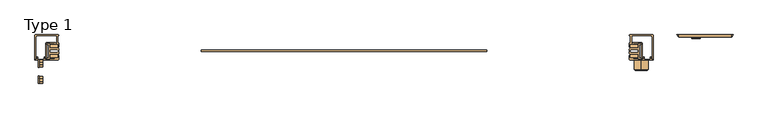
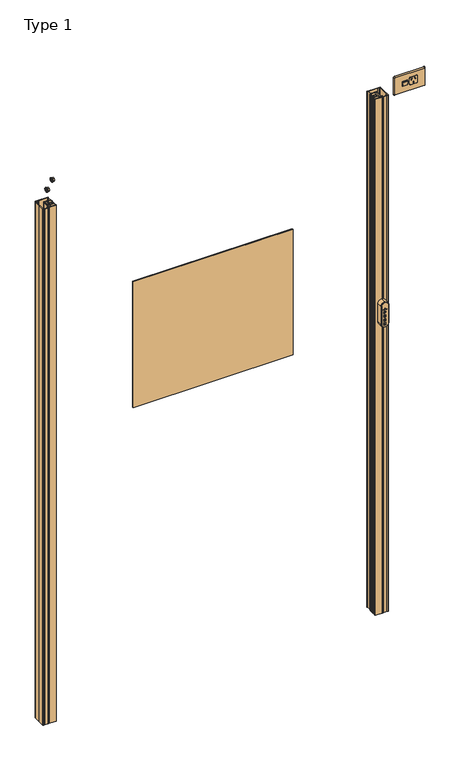
"""IFC4 building model written with IfcOpenShell, lengths in millimetres: door geometry, Type 1."""

from ifc_helpers import new_model, si_unit, point, frame, frame_2d, origin, origin_with_axes, place, context, project, spatial, polyline, circle_curve, trimmed, segment, composite_curve, outline, extrude, faceted_brep, source, transform, mapped, element, save
from ifc_brep_helpers import plane_surface, cylinder_surface, revolved_surface, advanced_brep


def type_1_dab68636(model_context):
    return source(origin(), model_context, "Body", "SolidModel", [
        extrude(outline(polyline([(0.0, 0.0), (0.0, -6.0), (-1.0, -6.0), (-1.0, 0.0), (0.0, 0.0)])), frame((743.3195781, -44.1446942, 2044.9337561), z_axis=(0.0, -0.5000000000000007, 0.8660254037844383), x_axis=(0.0, -0.8660254037844383, -0.5000000000000007)), (0.0, 0.0, 1.0), 1.0),
        advanced_brep(
        [(749.3195781, -37.5, 2046.9736674), (749.3195781, -42.6114642, 2046.9736674), (749.3195781, -45.0, 2045.5946456), (749.3195781, -45.4834179, 2044.5472665), (749.3195781, -42.6114642, 2028.9736674), (749.3195781, -37.5, 2028.9736674), (731.3195781, -37.5, 2046.9736674), (731.3195781, -37.5, 2028.9736674), (731.3195781, -42.6114642, 2028.9736674), (731.3195781, -45.4834179, 2044.5472665), (731.3195781, -45.0, 2045.5946456), (731.3195781, -42.6114642, 2046.9736674), (737.3195781, -43.7786688, 2046.2997815), (743.3195781, -43.7786688, 2046.2997815), (743.3195781, -44.6446942, 2045.7997815), (737.3195781, -44.6446942, 2045.7997815), (737.3195781, -43.2786688, 2045.4337561), (737.3195781, -44.1446942, 2044.9337561), (743.3195781, -44.1446942, 2044.9337561), (743.3195781, -43.2786688, 2045.4337561)],
        [
            (0, 1),
            (1, 2),
            (2, 3, circle_curve(frame((749.3195781, -44.5, 2044.7286202), z_axis=(1.0, 0.0, 0.0), x_axis=(0.0, 1.0, 0.0)), 1.0)),
            (3, 4),
            (4, 5),
            (5, 0),
            (6, 7),
            (7, 8),
            (8, 9),
            (9, 10, circle_curve(frame((731.3195781, -44.5, 2044.7286202), z_axis=(-1.0, 0.0, 0.0), x_axis=(0.0, 1.0, 0.0)), 1.0)),
            (10, 11),
            (11, 6),
            (5, 7),
            (6, 0),
            (4, 8),
            (3, 9),
            (2, 10),
            (1, 11),
            (12, 13),
            (13, 14),
            (14, 15),
            (15, 12),
            (16, 17),
            (17, 18),
            (18, 19),
            (19, 16),
            (19, 13),
            (12, 16),
            (18, 14),
            (17, 15),
        ],
        [
            plane_surface(frame((749.3195781, -37.5, 3503.2366842), z_axis=(1.0, 0.0, 0.0), x_axis=(0.0, 0.0, 1.0))),
            plane_surface(frame((731.3195781, -37.5, 3503.2366842), z_axis=(-1.0, 0.0, 0.0), x_axis=(0.0, 0.0, -1.0))),
            plane_surface(frame((731.3195781, -37.5, 2046.9736674), z_axis=(0.0, 1.0, 0.0), x_axis=(1.0, 0.0, 0.0))),
            plane_surface(frame((731.3195781, -37.5, 2028.9736674), z_axis=(0.0, 0.0, -1.0), x_axis=(1.0, 0.0, 0.0))),
            plane_surface(frame((731.3195781, -42.6114642, 2028.9736674), z_axis=(0.0, -0.9834179240382216, -0.18135376114201404), x_axis=(1.0, 0.0, 0.0))),
            cylinder_surface(frame((749.3195781, -44.5, 2044.7286202), z_axis=(-1.0, 0.0, 0.0), x_axis=(0.0, 1.0, 0.0)), 1.0),
            plane_surface(frame((731.3195781, -45.0, 2045.5946456), z_axis=(0.0, -0.500000000000001, 0.866025403784438), x_axis=(1.0, 0.0, 0.0))),
            plane_surface(frame((731.3195781, -42.6114642, 2046.9736674), z_axis=(0.0, 0.0, 1.0), x_axis=(1.0, 0.0, 0.0))),
            plane_surface(frame((740.3195781, -43.2786688, 2045.4337561), z_axis=(0.0, -0.5000000000000007, 0.8660254037844383), x_axis=(1.0, 0.0, 0.0))),
            plane_surface(frame((737.3195781, -43.2786688, 2045.4337561), z_axis=(0.0, -0.8660254037844384, -0.5000000000000004), x_axis=(0.0, -0.5000000000000004, 0.8660254037844384))),
            plane_surface(frame((743.3195781, -43.2786688, 2045.4337561), z_axis=(-1.0, 0.0, 0.0), x_axis=(0.0, -0.5000000000000009, 0.8660254037844382))),
            plane_surface(frame((743.3195781, -44.1446942, 2044.9337561), z_axis=(0.0, 0.8660254037844384, 0.5000000000000004), x_axis=(0.0, -0.5000000000000004, 0.8660254037844384))),
            plane_surface(frame((737.3195781, -44.1446942, 2044.9337561), z_axis=(1.0, 0.0, 0.0), x_axis=(0.0, -0.5000000000000004, 0.8660254037844384))),
        ],
        [
            (0, [[1, 2, 3, 4, 5, 6]]),
            (1, [[7, 8, 9, 10, 11, 12]]),
            (2, [[-6, 13, -7, 14]]),
            (3, [[-5, 15, -8, -13]]),
            (4, [[-4, 16, -9, -15]]),
            (5, [[-3, 17, -10, -16]]),
            (6, [[-2, 18, -11, -17], [19, 20, 21, 22]]),
            (7, [[-1, -14, -12, -18]]),
            (8, [[23, 24, 25, 26]]),
            (9, [[-26, 27, -19, 28]]),
            (10, [[-25, 29, -20, -27]]),
            (11, [[-24, 30, -21, -29]]),
            (12, [[-23, -28, -22, -30]]),
        ],
    ),
        extrude(outline(composite_curve([segment(polyline([(2053.9130131, 782.3195781), (2053.9130131, 762.3195781)]), True, "CONTINUOUS"), segment(trimmed(circle_curve(frame_2d((2048.9130131, 762.3195781)), 5.0), [point((2053.9130131, 762.3195781))], [point((2048.9130131, 757.3195781))], False, "CARTESIAN"), True, "CONTINUOUS"), segment(polyline([(2048.9130131, 757.3195781), (2028.9130131, 757.3195781)]), True, "CONTINUOUS"), segment(trimmed(circle_curve(frame_2d((2028.9130131, 762.3195781)), 5.0), [point((2028.9130131, 757.3195781))], [point((2023.9130131, 762.3195781))], False, "CARTESIAN"), True, "CONTINUOUS"), segment(polyline([(2023.9130131, 762.3195781), (2023.9130131, 782.3195781)]), True, "CONTINUOUS"), segment(trimmed(circle_curve(frame_2d((2028.9130131, 782.3195781)), 5.0), [point((2023.9130131, 782.3195781))], [point((2028.9130131, 787.3195781))], False, "CARTESIAN"), True, "CONTINUOUS"), segment(polyline([(2028.9130131, 787.3195781), (2048.9130131, 787.3195781)]), True, "CONTINUOUS"), segment(trimmed(circle_curve(frame_2d((2048.9130131, 782.3195781)), 5.0), [point((2048.9130131, 787.3195781))], [point((2053.9130131, 782.3195781))], False, "CARTESIAN"), True, "CONTINUOUS")], self_intersect=False), holes=[polyline([(2042.6380437, 781.298677), (2041.6219753, 779.5760032), (2047.6513337, 776.0197639), (2048.667402, 777.7424377), (2042.6380437, 781.298677)]), polyline([(2042.6380437, 762.4102317), (2048.667402, 765.966471), (2047.6513337, 767.6891448), (2041.6219753, 764.1329055), (2042.6380437, 762.4102317)]), polyline([(2027.3869071, 770.9136378), (2034.3869071, 770.9136378), (2034.3869071, 772.9136378), (2027.3869071, 772.9136378), (2027.3869071, 770.9136378)])]), frame((0.0, -42.5, 0.0), z_axis=(0.0, 1.0, 0.0), x_axis=(0.0, 0.0, 1.0)), (0.0, 0.0, 1.0), 5.0),
        advanced_brep(
        [(813.75, -42.0, 2071.75), (704.25, -42.0, 2071.75), (703.25, -42.0, 2070.75), (703.25, -42.0, 2004.25), (704.25, -42.0, 2003.25), (813.75, -42.0, 2003.25), (814.75, -42.0, 2004.25), (814.75, -42.0, 2070.75), (782.3195781, -42.0, 2053.9130131), (787.3195781, -42.0, 2048.9130131), (787.3195781, -42.0, 2028.9130131), (782.3195781, -42.0, 2023.9130131), (762.3195781, -42.0, 2023.9130131), (757.3195781, -42.0, 2028.9130131), (757.3195781, -42.0, 2048.9130131), (762.3195781, -42.0, 2053.9130131), (749.3195781, -42.0, 2046.9736674), (749.3195781, -42.0, 2028.9736674), (731.3195781, -42.0, 2028.9736674), (731.3195781, -42.0, 2046.9736674), (813.75, -37.5, 2075.0), (818.0, -37.5, 2070.75), (818.0, -37.5, 2004.25), (813.75, -37.5, 2000.0), (704.25, -37.5, 2000.0), (700.0, -37.5, 2004.25), (700.0, -37.5, 2070.75), (704.25, -37.5, 2075.0), (787.3195781, -37.5, 2048.9130131), (782.3195781, -37.5, 2053.9130131), (762.3195781, -37.5, 2053.9130131), (757.3195781, -37.5, 2048.9130131), (757.3195781, -37.5, 2028.9130131), (762.3195781, -37.5, 2023.9130131), (782.3195781, -37.5, 2023.9130131), (787.3195781, -37.5, 2028.9130131), (749.3195781, -37.5, 2028.9736674), (749.3195781, -37.5, 2046.9736674), (731.3195781, -37.5, 2046.9736674), (731.3195781, -37.5, 2028.9736674)],
        [
            (0, 1),
            (1, 2, circle_curve(frame((704.25, -42.0, 2070.75), z_axis=(0.0, -1.0, -1.9711565713147693e-12), x_axis=(0.0, -1.971128016525458e-12, 1.0)), 1.0)),
            (2, 3),
            (3, 4, circle_curve(frame((704.25, -42.0, 2004.25), z_axis=(0.0, -1.0, -1.946716861799183e-12), x_axis=(-1.0, 0.0, 0.0)), 1.0)),
            (4, 5),
            (5, 6, circle_curve(frame((813.75, -42.0, 2004.25), z_axis=(0.0, -1.0, -1.8686977891148123e-12), x_axis=(0.0, 1.8687317559233394e-12, -1.0)), 1.0)),
            (6, 7),
            (7, 0, circle_curve(frame((813.75, -42.0, 2070.75), z_axis=(0.0, -1.0, -1.8903175321478334e-12), x_axis=(1.0, 0.0, 0.0)), 1.0)),
            (8, 9, circle_curve(frame((782.3195781, -42.0, 2048.9130131), z_axis=(0.0, 1.0, 0.0), x_axis=(0.0, 0.0, 1.0)), 5.0)),
            (9, 10),
            (10, 11, circle_curve(frame((782.3195781, -42.0, 2028.9130131), z_axis=(0.0, 1.0, 0.0), x_axis=(0.0, 0.0, 1.0)), 5.0)),
            (11, 12),
            (12, 13, circle_curve(frame((762.3195781, -42.0, 2028.9130131), z_axis=(0.0, 1.0, 0.0), x_axis=(0.0, 0.0, 1.0)), 5.0)),
            (13, 14),
            (14, 15, circle_curve(frame((762.3195781, -42.0, 2048.9130131), z_axis=(0.0, 1.0, 0.0), x_axis=(0.0, 0.0, 1.0)), 5.0)),
            (15, 8),
            (16, 17),
            (17, 18),
            (18, 19),
            (19, 16),
            (20, 21, circle_curve(frame((813.75, -37.5, 2070.75), z_axis=(0.0, 1.0, 1.8903175321478334e-12), x_axis=(1.0, 0.0, 0.0)), 4.25)),
            (21, 22),
            (22, 23, circle_curve(frame((813.75, -37.5, 2004.25), z_axis=(0.0, 1.0, 1.8686977891148123e-12), x_axis=(0.0, 1.8687317559233394e-12, -1.0)), 4.25)),
            (23, 24),
            (24, 25, circle_curve(frame((704.25, -37.5, 2004.25), z_axis=(0.0, 1.0, 1.946716861799183e-12), x_axis=(-1.0, 0.0, 0.0)), 4.25)),
            (25, 26),
            (26, 27, circle_curve(frame((704.25, -37.5, 2070.75), z_axis=(0.0, 1.0, 1.9711565713147693e-12), x_axis=(0.0, -1.971128016525458e-12, 1.0)), 4.25)),
            (27, 20),
            (28, 29, circle_curve(frame((782.3195781, -37.5, 2048.9130131), z_axis=(0.0, -1.0, 0.0), x_axis=(0.0, 0.0, 1.0)), 5.0)),
            (29, 30),
            (30, 31, circle_curve(frame((762.3195781, -37.5, 2048.9130131), z_axis=(0.0, -1.0, 0.0), x_axis=(0.0, 0.0, 1.0)), 5.0)),
            (31, 32),
            (32, 33, circle_curve(frame((762.3195781, -37.5, 2028.9130131), z_axis=(0.0, -1.0, 0.0), x_axis=(0.0, 0.0, 1.0)), 5.0)),
            (33, 34),
            (34, 35, circle_curve(frame((782.3195781, -37.5, 2028.9130131), z_axis=(0.0, -1.0, 0.0), x_axis=(0.0, 0.0, 1.0)), 5.0)),
            (35, 28),
            (36, 37),
            (37, 38),
            (38, 39),
            (39, 36),
            (0, 20),
            (27, 1),
            (26, 2),
            (25, 3),
            (24, 4),
            (23, 5),
            (22, 6),
            (21, 7),
            (28, 9),
            (8, 29),
            (35, 10),
            (34, 11),
            (33, 12),
            (32, 13),
            (31, 14),
            (30, 15),
            (36, 17),
            (16, 37),
            (39, 18),
            (38, 19),
        ],
        [
            plane_surface(frame((759.0, -42.0, 2037.5), z_axis=(0.0, -1.0, 0.0), x_axis=(-1.0, 0.0, 0.0))),
            plane_surface(frame((759.0, -37.5, 2037.5), z_axis=(0.0, 1.0, 0.0), x_axis=(-1.0, 0.0, 0.0))),
            plane_surface(frame((759.0, -37.5, 2075.0), z_axis=(0.0, -0.5854905538480789, 0.8106792283971941), x_axis=(-1.0, 0.0, 0.0))),
            revolved_surface(polyline([(704.25, -42.00000000000197, 2071.750000008495), (704.25, -37.5, 2075.0)]), (704.25, -43.3846154, 2070.75), (0.0, 1.0, 1.9711565713147693e-12)),
            plane_surface(frame((700.0, -37.5, 2037.5), z_axis=(-0.8106792283979467, -0.5854905538470369, 0.0), x_axis=(0.0, 0.0, -1.0))),
            revolved_surface(polyline([(703.2499999915046, -42.00000000000195, 2004.25), (700.0, -37.5, 2004.25)]), (704.25, -43.3846154, 2004.25), (0.0, 1.0, 1.946716861799183e-12)),
            plane_surface(frame((759.0, -37.5, 2000.0), z_axis=(0.0, -0.5854905538460328, -0.8106792283986718), x_axis=(1.0, 0.0, 0.0))),
            revolved_surface(polyline([(813.75, -42.0, 2003.2499999915033), (813.75, -37.499999999992056, 1999.9999999999943)]), (813.75, -43.3846154, 2004.25), (0.0, 1.0, 1.8686977891148123e-12)),
            plane_surface(frame((818.0, -37.5, 2037.5), z_axis=(0.8106792283979293, -0.5854905538470608, 0.0), x_axis=(0.0, 0.0, 1.0))),
            revolved_surface(polyline([(814.7500000084967, -42.0, 2070.75), (818.0000000000058, -37.499999999991964, 2070.75)]), (813.75, -43.3846154, 2070.75), (0.0, 1.0, 1.8903175321478334e-12)),
            revolved_surface(polyline([(782.3195781, -37.5, 2053.9130131), (782.3195781, -42.0, 2053.9130131)]), (782.3195781, -42.0, 2048.9130131), (0.0, 1.0, 0.0)),
            plane_surface(frame((787.3195781, -37.5, 2048.9130131), z_axis=(-1.0, 0.0, 0.0), x_axis=(0.0, -1.0, 0.0))),
            revolved_surface(polyline([(782.3195781, -37.5, 2033.9130131), (782.3195781, -42.0, 2033.9130131)]), (782.3195781, -42.0, 2028.9130131), (0.0, 1.0, 0.0)),
            plane_surface(frame((782.3195781, -37.5, 2023.9130131), z_axis=(0.0, 0.0, 1.0), x_axis=(0.0, -1.0, 0.0))),
            revolved_surface(polyline([(762.3195781, -37.5, 2033.9130131), (762.3195781, -42.0, 2033.9130131)]), (762.3195781, -42.0, 2028.9130131), (0.0, 1.0, 0.0)),
            plane_surface(frame((757.3195781, -37.5, 2028.9130131), z_axis=(1.0, 0.0, 0.0), x_axis=(0.0, -1.0, 0.0))),
            revolved_surface(polyline([(762.3195781, -37.5, 2053.9130131), (762.3195781, -42.0, 2053.9130131)]), (762.3195781, -42.0, 2048.9130131), (0.0, 1.0, 0.0)),
            plane_surface(frame((762.3195781, -37.5, 2053.9130131), z_axis=(0.0, 0.0, -1.0), x_axis=(0.0, -1.0, 0.0))),
            plane_surface(frame((749.3195781, -37.5, 2046.9736674), z_axis=(-1.0, 0.0, 0.0), x_axis=(0.0, -1.0, 0.0))),
            plane_surface(frame((749.3195781, -37.5, 2028.9736674), z_axis=(0.0, 0.0, 1.0), x_axis=(0.0, -1.0, 0.0))),
            plane_surface(frame((731.3195781, -37.5, 2028.9736674), z_axis=(1.0, 0.0, 0.0), x_axis=(0.0, -1.0, 0.0))),
            plane_surface(frame((731.3195781, -37.5, 2046.9736674), z_axis=(0.0, 0.0, -1.0), x_axis=(0.0, -1.0, 0.0))),
        ],
        [
            (0, [[1, 2, 3, 4, 5, 6, 7, 8], [9, 10, 11, 12, 13, 14, 15, 16], [17, 18, 19, 20]]),
            (1, [[21, 22, 23, 24, 25, 26, 27, 28], [29, 30, 31, 32, 33, 34, 35, 36], [37, 38, 39, 40]]),
            (2, [[-1, 41, -28, 42]]),
            (3, [[-2, -42, -27, 43]]),
            (4, [[-3, -43, -26, 44]]),
            (5, [[-4, -44, -25, 45]]),
            (6, [[-5, -45, -24, 46]]),
            (7, [[-6, -46, -23, 47]]),
            (8, [[-7, -47, -22, 48]]),
            (9, [[-8, -48, -21, -41]]),
            (10, [[49, -9, 50, -29]]),
            (11, [[-49, -36, 51, -10]]),
            (12, [[-51, -35, 52, -11]]),
            (13, [[-52, -34, 53, -12]]),
            (14, [[-53, -33, 54, -13]]),
            (15, [[-54, -32, 55, -14]]),
            (16, [[-55, -31, 56, -15]]),
            (17, [[-50, -16, -56, -30]]),
            (18, [[57, -17, 58, -37]]),
            (19, [[-57, -40, 59, -18]]),
            (20, [[-59, -39, 60, -19]]),
            (21, [[-58, -20, -60, -38]]),
        ],
    ),
        extrude(outline(polyline([(-3.3878974, 0.0), (0.0, 0.0), (0.0, 3.3538824), (1.8674254, 3.3538824), (1.8674254, -5.6464956), (0.0, -5.6464956), (0.0, -1.6565321), (-3.3878974, -1.6565321), (-3.3878974, -5.6464956), (-5.2519213, -5.6464956), (-5.2519213, 3.3538824), (-3.3878974, 3.3538824), (-3.3878974, 0.0)])), frame((622.4844847, -112.5, 1165.1344009), z_axis=(4.659192504219422e-12, 1.0, 0.0), x_axis=(-1.0, 4.659192504219422e-12, 0.0)), (0.0, 0.0, 1.0), 2.0),
        extrude(outline(composite_curve([segment(polyline([(1.8674254, 33.5542324), (1.8674254, 27.7877778)]), True, "CONTINUOUS"), segment(trimmed(circle_curve(frame_2d((-1.6563342, 27.7877778)), 3.5237596), [point((1.8674254, 27.7877778))], [point((-5.1800938, 27.7877778))], False, "CARTESIAN"), True, "CONTINUOUS"), segment(polyline([(-5.1800938, 27.7877778), (-5.1800938, 33.5542324), (-3.3699661, 33.5542324), (-3.3699661, 27.751176)]), True, "CONTINUOUS"), segment(trimmed(circle_curve(frame_2d((-1.6663165, 27.751176)), 1.7036496), [point((-3.3699661, 27.751176))], [point((0.037333, 27.751176))], True, "CARTESIAN"), True, "CONTINUOUS"), segment(polyline([(0.037333, 27.751176), (0.037333, 33.5542324), (1.8674254, 33.5542324)]), True, "CONTINUOUS")], self_intersect=False)), frame((622.4844847, -112.5, 1165.1344009), z_axis=(4.659192504219422e-12, 1.0, 0.0), x_axis=(-1.0, 4.659192504219422e-12, 0.0)), (0.0, 0.0, 1.0), 2.0),
        extrude(outline(composite_curve([segment(trimmed(circle_curve(frame_2d((-0.6010115, 16.0817339)), 2.3587315), [point((-0.0509375, 18.375428))], [point((1.7576251, 16.0605735))], False, "CARTESIAN"), True, "CONTINUOUS"), segment(trimmed(circle_curve(frame_2d((-0.3079854, 15.7991431)), 2.0820885), [point((1.7576251, 16.0605735))], [point((0.2933454, 13.8057806))], False, "CARTESIAN"), True, "CONTINUOUS"), segment(polyline([(0.2933454, 13.8057806), (-2.8118226, 12.9737534)]), True, "CONTINUOUS"), segment(trimmed(circle_curve(frame_2d((-2.4180978, 12.0969668)), 0.9611316), [point((-2.8118226, 12.9737534))], [point((-2.5125281, 11.1404853))], True, "CARTESIAN"), True, "CONTINUOUS"), segment(trimmed(circle_curve(frame_2d((-1.7234335, 14.5136786)), 3.4642608), [point((-2.5125281, 11.1404853))], [point((-1.0058389, 11.1245546))], True, "CARTESIAN"), True, "CONTINUOUS"), segment(trimmed(circle_curve(frame_2d((-1.3005785, 12.5165786)), 1.4228851), [point((-1.0058389, 11.1245546))], [point((0.1193205, 12.4244425))], True, "CARTESIAN"), True, "CONTINUOUS"), segment(polyline([(0.1193205, 12.4244425), (1.8674254, 12.4244425)]), True, "CONTINUOUS"), segment(trimmed(circle_curve(frame_2d((-0.5451999, 12.2070209)), 2.4224023), [point((1.8674254, 12.4244425))], [point((0.4410381, 9.9944732))], False, "CARTESIAN"), True, "CONTINUOUS"), segment(trimmed(circle_curve(frame_2d((-1.7208444, 14.844487)), 5.3100255), [point((0.4410381, 9.9944732))], [point((-3.007687, 9.6927488))], False, "CARTESIAN"), True, "CONTINUOUS"), segment(trimmed(circle_curve(frame_2d((-2.4437694, 12.2682183)), 2.6364836), [point((-3.007687, 9.6927488))], [point((-5.0702204, 12.0384336))], False, "CARTESIAN"), True, "CONTINUOUS"), segment(trimmed(circle_curve(frame_2d((-2.6442654, 12.2506772)), 2.4352218), [point((-5.0702204, 12.0384336))], [point((-3.2745471, 14.6029208))], False, "CARTESIAN"), True, "CONTINUOUS"), segment(polyline([(-3.2745471, 14.6029208), (-1.8186854, 14.9930177)]), True, "CONTINUOUS"), segment(trimmed(circle_curve(frame_2d((-3.0982633, 21.390208)), 6.523907), [point((-1.8186854, 14.9930177))], [point((-0.3015503, 15.4961636))], True, "CARTESIAN"), True, "CONTINUOUS"), segment(trimmed(circle_curve(frame_2d((-0.7891329, 16.166371)), 0.8288032), [point((-0.3015503, 15.4961636))], [point((-0.3015503, 16.8365784))], True, "CARTESIAN"), True, "CONTINUOUS"), segment(trimmed(circle_curve(frame_2d((-1.4263385, 14.831388)), 2.2991165), [point((-0.3015503, 16.8365784))], [point((-1.7196185, 17.1117222))], True, "CARTESIAN"), True, "CONTINUOUS"), segment(trimmed(circle_curve(frame_2d((-1.7497909, 15.7390702)), 1.3729835), [point((-1.7196185, 17.1117222))], [point((-3.1197599, 15.8300027))], True, "CARTESIAN"), True, "CONTINUOUS"), segment(polyline([(-3.1197599, 15.8300027), (-4.8206944, 15.8235353)]), True, "CONTINUOUS"), segment(trimmed(circle_curve(frame_2d((-2.1817626, 15.886102)), 2.6396734), [point((-4.8206944, 15.8235353))], [point((-2.5155153, 18.5045911))], False, "CARTESIAN"), True, "CONTINUOUS"), segment(trimmed(circle_curve(frame_2d((-1.6398779, 11.6346928)), 6.9254778), [point((-2.5155153, 18.5045911))], [point((-0.0509375, 18.375428))], False, "CARTESIAN"), True, "CONTINUOUS")], self_intersect=False)), frame((622.4844847, -112.5, 1165.1344009), z_axis=(4.659192504219422e-12, 1.0, 0.0), x_axis=(-1.0, 4.659192504219422e-12, 0.0)), (0.0, 0.0, 1.0), 2.0),
        extrude(outline(composite_curve([segment(polyline([(0.0102045, 39.5301216), (0.0102045, 42.7309363), (-1.972872, 42.7309363)]), True, "CONTINUOUS"), segment(trimmed(circle_curve(frame_2d((-1.972872, 45.6307179)), 2.8997817), [point((-1.972872, 42.7309363))], [point((-1.972872, 48.5304996))], False, "CARTESIAN"), True, "CONTINUOUS"), segment(polyline([(-1.972872, 48.5304996), (0.0102045, 48.5304996), (1.8674254, 48.5304996), (1.8674254, 39.5301216), (0.0102045, 39.5301216)]), True, "CONTINUOUS")], self_intersect=False), holes=[composite_curve([segment(polyline([(0.0102045, 44.3466504), (0.0102045, 46.965808), (-1.6973502, 46.965808)]), True, "CONTINUOUS"), segment(trimmed(circle_curve(frame_2d((-1.6973502, 45.6562292)), 1.3095788), [point((-1.6973502, 46.965808))], [point((-1.6973502, 44.3466504))], True, "CARTESIAN"), True, "CONTINUOUS"), segment(polyline([(-1.6973502, 44.3466504), (0.0102045, 44.3466504)]), True, "CONTINUOUS")], self_intersect=False)]), frame((622.4844847, -112.5, 1165.1344009), z_axis=(4.659192504219422e-12, 1.0, 0.0), x_axis=(-1.0, 4.659192504219422e-12, 0.0)), (0.0, 0.0, 1.0), 2.0),
        extrude(outline(polyline([(632.0, -112.5), (618.0, -112.5), (618.0, -110.5), (632.0, -110.5), (632.0, -112.5)])), frame((0.0, 0.0, 1220.0166537), z_axis=(0.0, 0.0, 1.0), x_axis=(1.0, 0.0, 0.0)), (0.0, 0.0, 1.0), 1.5),
        extrude(outline(polyline([(626.5, -112.5), (623.5, -112.5), (623.5, -110.5), (626.5, -110.5), (626.5, -112.5)])), frame((0.0, 0.0, 1222.7486881), z_axis=(0.0, 0.0, 1.0), x_axis=(1.0, 0.0, 0.0)), (0.0, 0.0, 1.0), 3.0),
        extrude(outline(composite_curve([segment(trimmed(circle_curve(frame_2d((0.0, -13.0)), 13.0), [point((-13.0, -13.0))], [point((0.0, 0.0))], False, "CARTESIAN"), True, "CONTINUOUS"), segment(polyline([(0.0, 0.0), (70.0, 0.0)]), True, "CONTINUOUS"), segment(trimmed(circle_curve(frame_2d((70.0, -13.0)), 13.0), [point((70.0, 0.0))], [point((83.0, -13.0))], False, "CARTESIAN"), True, "CONTINUOUS"), segment(trimmed(circle_curve(frame_2d((70.0, -13.0)), 13.0), [point((83.0, -13.0))], [point((70.0, -26.0))], False, "CARTESIAN"), True, "CONTINUOUS"), segment(polyline([(70.0, -26.0), (0.0, -26.0)]), True, "CONTINUOUS"), segment(trimmed(circle_curve(frame_2d((0.0, -13.0)), 13.0), [point((0.0, -26.0))], [point((-13.0, -13.0))], False, "CARTESIAN"), True, "CONTINUOUS")], self_intersect=False), holes=[composite_curve([segment(polyline([(27.1346628, -12.4573567), (27.1346628, -10.4742802), (30.3354775, -10.4742802), (30.3354775, -8.6170593), (21.3350995, -8.6170593), (21.3350995, -10.4742802), (21.3350995, -12.4573567)]), True, "CONTINUOUS"), segment(trimmed(circle_curve(frame_2d((24.2348812, -12.4573567)), 2.8997817), [point((21.3350995, -12.4573567))], [point((27.1346628, -12.4573567))], True, "CARTESIAN"), True, "CONTINUOUS")], self_intersect=False), composite_curve([segment(polyline([(36.3113667, -8.6170593), (36.3113667, -10.4471517), (42.1144231, -10.4471517)]), True, "CONTINUOUS"), segment(trimmed(circle_curve(frame_2d((42.1144231, -12.1508012)), 1.7036496), [point((42.1144231, -10.4471517))], [point((42.1144231, -13.8544508))], False, "CARTESIAN"), True, "CONTINUOUS"), segment(polyline([(42.1144231, -13.8544508), (36.3113667, -13.8544508), (36.3113667, -15.6645785), (42.0778213, -15.6645785)]), True, "CONTINUOUS"), segment(trimmed(circle_curve(frame_2d((42.0778213, -12.1408189)), 3.5237596), [point((42.0778213, -15.6645785))], [point((42.0778213, -8.6170593))], True, "CARTESIAN"), True, "CONTINUOUS"), segment(polyline([(42.0778213, -8.6170593), (36.3113667, -8.6170593)]), True, "CONTINUOUS")], self_intersect=False), polyline([(75.5120947, -8.6170593), (66.5117167, -8.6170593), (66.5117167, -10.4844847), (69.8655991, -10.4844847), (69.8655991, -13.8723821), (66.5117167, -13.8723821), (66.5117167, -15.736406), (75.5120947, -15.736406), (75.5120947, -13.8723821), (71.5221312, -13.8723821), (71.5221312, -10.4844847), (75.5120947, -10.4844847), (75.5120947, -8.6170593)]), composite_curve([segment(trimmed(circle_curve(frame_2d((54.1265289, -12.2342756)), 1.3729835), [point((54.0355964, -13.6042446))], [point((52.7538769, -12.2041032))], False, "CARTESIAN"), True, "CONTINUOUS"), segment(trimmed(circle_curve(frame_2d((55.0342111, -11.9108232)), 2.2991165), [point((52.7538769, -12.2041032))], [point((53.0290207, -10.786035))], False, "CARTESIAN"), True, "CONTINUOUS"), segment(trimmed(circle_curve(frame_2d((53.6992281, -11.2736176)), 0.8288032), [point((53.0290207, -10.786035))], [point((54.3694355, -10.786035))], False, "CARTESIAN"), True, "CONTINUOUS"), segment(trimmed(circle_curve(frame_2d((48.4753911, -13.582748)), 6.523907), [point((54.3694355, -10.786035))], [point((54.8725814, -12.3031701))], False, "CARTESIAN"), True, "CONTINUOUS"), segment(polyline([(54.8725814, -12.3031701), (55.2626783, -13.7590318)]), True, "CONTINUOUS"), segment(trimmed(circle_curve(frame_2d((57.6149219, -13.1287501)), 2.4352218), [point((55.2626783, -13.7590318))], [point((57.8271655, -15.5547051))], True, "CARTESIAN"), True, "CONTINUOUS"), segment(trimmed(circle_curve(frame_2d((57.5973808, -12.9282541)), 2.6364836), [point((57.8271655, -15.5547051))], [point((60.1728503, -13.4921717))], True, "CARTESIAN"), True, "CONTINUOUS"), segment(trimmed(circle_curve(frame_2d((55.0211121, -12.2053291)), 5.3100255), [point((60.1728503, -13.4921717))], [point((59.8711259, -10.0434466))], True, "CARTESIAN"), True, "CONTINUOUS"), segment(trimmed(circle_curve(frame_2d((57.6585782, -11.0296846)), 2.4224023), [point((59.8711259, -10.0434466))], [point((57.4411566, -8.6170593))], True, "CARTESIAN"), True, "CONTINUOUS"), segment(polyline([(57.4411566, -8.6170593), (57.4411566, -10.3651642)]), True, "CONTINUOUS"), segment(trimmed(circle_curve(frame_2d((57.3490205, -11.7850632)), 1.4228851), [point((57.4411566, -10.3651642))], [point((58.7410445, -11.4903236))], False, "CARTESIAN"), True, "CONTINUOUS"), segment(trimmed(circle_curve(frame_2d((55.3519205, -12.2079182)), 3.4642608), [point((58.7410445, -11.4903236))], [point((58.7251138, -12.9970128))], False, "CARTESIAN"), True, "CONTINUOUS"), segment(trimmed(circle_curve(frame_2d((57.7686323, -12.9025825)), 0.9611316), [point((58.7251138, -12.9970128))], [point((56.8918457, -13.2963073))], False, "CARTESIAN"), True, "CONTINUOUS"), segment(polyline([(56.8918457, -13.2963073), (56.0598185, -10.1911393)]), True, "CONTINUOUS"), segment(trimmed(circle_curve(frame_2d((54.066456, -10.7924701)), 2.0820885), [point((56.0598185, -10.1911393))], [point((53.8050256, -8.7268596))], True, "CARTESIAN"), True, "CONTINUOUS"), segment(trimmed(circle_curve(frame_2d((53.7838652, -11.0854962)), 2.3587315), [point((53.8050256, -8.7268596))], [point((51.4901711, -10.5354222))], True, "CARTESIAN"), True, "CONTINUOUS"), segment(trimmed(circle_curve(frame_2d((58.2309063, -12.1243626)), 6.9254778), [point((51.4901711, -10.5354222))], [point((51.361008, -13.0))], True, "CARTESIAN"), True, "CONTINUOUS"), segment(trimmed(circle_curve(frame_2d((53.9794971, -12.6662473)), 2.6396734), [point((51.361008, -13.0))], [point((54.0420638, -15.3051791))], True, "CARTESIAN"), True, "CONTINUOUS"), segment(polyline([(54.0420638, -15.3051791), (54.0355964, -13.6042446)]), True, "CONTINUOUS")], self_intersect=False), polyline([(14.9833463, -20.0), (14.9833463, -6.0), (13.4833463, -6.0), (13.4833463, -20.0), (14.9833463, -20.0)]), polyline([(9.2513119, -14.5), (12.2513119, -14.5), (12.2513119, -11.5), (9.2513119, -11.5), (9.2513119, -14.5)])]), frame((612.0, -112.5, 1235.0), z_axis=(4.659192504219422e-12, 1.0, 0.0), x_axis=(0.0, 0.0, -1.0)), (0.0, 0.0, 1.0), 2.0),
        extrude(outline(composite_curve([segment(polyline([(22.8997911, -10.4742802), (25.5189487, -10.4742802), (25.5189487, -12.1818349)]), True, "CONTINUOUS"), segment(trimmed(circle_curve(frame_2d((24.2093699, -12.1818349)), 1.3095788), [point((25.5189487, -12.1818349))], [point((22.8997911, -12.1818349))], False, "CARTESIAN"), True, "CONTINUOUS"), segment(polyline([(22.8997911, -12.1818349), (22.8997911, -10.4742802)]), True, "CONTINUOUS")], self_intersect=False)), frame((612.0, -112.5, 1235.0), z_axis=(4.659192504219422e-12, 1.0, 0.0), x_axis=(0.0, 0.0, -1.0)), (0.0, 0.0, 1.0), 2.0),
        extrude(outline(composite_curve([segment(polyline([(-140.1281436, 0.0), (-70.1281436, 0.0)]), True, "CONTINUOUS"), segment(trimmed(circle_curve(frame_2d((-70.1281436, -15.0)), 15.0), [point((-70.1281436, 0.0))], [point((-55.1281436, -15.0))], False, "CARTESIAN"), True, "CONTINUOUS"), segment(trimmed(circle_curve(frame_2d((-70.1281436, -15.0)), 15.0), [point((-55.1281436, -15.0))], [point((-70.1281436, -30.0))], False, "CARTESIAN"), True, "CONTINUOUS"), segment(polyline([(-70.1281436, -30.0), (-140.1281436, -30.0)]), True, "CONTINUOUS"), segment(trimmed(circle_curve(frame_2d((-140.1281436, -15.0)), 15.0), [point((-140.1281436, -30.0))], [point((-155.1281436, -15.0))], False, "CARTESIAN"), True, "CONTINUOUS"), segment(trimmed(circle_curve(frame_2d((-140.1281436, -15.0)), 15.0), [point((-155.1281436, -15.0))], [point((-140.1281436, 0.0))], False, "CARTESIAN"), True, "CONTINUOUS")], self_intersect=False)), frame((610.0, -110.5, 1094.8718564), z_axis=(4.662538931178961e-12, 1.0, 0.0), x_axis=(0.0, 0.0, -1.0)), (0.0, 0.0, 1.0), 20.0),
        extrude(outline(polyline([(300.0, -73.3), (-300.0, -73.3), (-300.0, -69.3), (300.0, -69.3), (300.0, -73.3)])), frame((0.0, 0.0, 1130.0), z_axis=(0.0, 0.0, 1.0), x_axis=(1.0, 0.0, 0.0)), (0.0, 0.0, 1.0), 500.0),
        extrude(outline(composite_curve([segment(polyline([(-621.0, -86.25), (-621.0, -58.25), (-625.0, -58.25), (-625.0, -56.25), (-618.5, -56.25), (-618.5, -66.0), (-601.6, -66.0)]), True, "CONTINUOUS"), segment(trimmed(circle_curve(frame_2d((-601.6, -67.5)), 1.5), [point((-601.6, -66.0))], [point((-600.1, -67.5))], False, "CARTESIAN"), True, "CONTINUOUS"), segment(polyline([(-600.1, -67.5), (-600.1, -71.25), (-601.35, -71.25), (-602.6490381, -69.0), (-618.5, -69.0), (-618.5, -75.5), (-602.6490381, -75.5), (-601.35, -73.25), (-600.1, -73.25), (-600.1, -77.0)]), True, "CONTINUOUS"), segment(trimmed(circle_curve(frame_2d((-601.6, -77.0)), 1.5), [point((-600.1, -77.0))], [point((-601.6, -78.5))], False, "CARTESIAN"), True, "CONTINUOUS"), segment(polyline([(-601.6, -78.5), (-618.5, -78.5), (-618.5, -88.25), (-625.0, -88.25), (-625.0, -86.25), (-621.0, -86.25)]), True, "CONTINUOUS")], self_intersect=False)), origin_with_axes(), (0.0, 0.0, 1.0), 2051.0),
        extrude(outline(polyline([(-618.5, -85.95), (-618.5, -78.5), (-602.0, -78.5), (-602.0, -85.95), (-618.5, -85.95)])), origin_with_axes(), (0.0, 0.0, 1.0), 2051.0),
        extrude(outline(polyline([(-618.5, -58.55), (-602.0, -58.55), (-602.0, -66.0), (-618.5, -66.0), (-618.5, -58.55)])), origin_with_axes(), (0.0, 0.0, 1.0), 2051.0),
        extrude(outline(composite_curve([segment(trimmed(circle_curve(frame_2d((-630.5, -90.5)), 0.3), [point((-630.2, -90.5))], [point((-630.8, -90.5))], True, "CARTESIAN"), True, "CONTINUOUS"), segment(polyline([(-630.8, -90.5), (-644.2, -90.5)]), True, "CONTINUOUS"), segment(trimmed(circle_curve(frame_2d((-644.5, -90.5)), 0.3), [point((-644.2, -90.5))], [point((-644.8, -90.5))], True, "CARTESIAN"), True, "CONTINUOUS"), segment(polyline([(-644.8, -90.5), (-647.4266907, -90.5)]), True, "CONTINUOUS"), segment(trimmed(circle_curve(frame_2d((-647.4266907, -89.9266907)), 0.5733093), [point((-647.4266907, -90.5))], [point((-648.0, -89.9266907))], False, "CARTESIAN"), True, "CONTINUOUS"), segment(polyline([(-648.0, -89.9266907), (-648.0, -89.0), (-645.0, -89.0), (-645.25, -85.4)]), True, "CONTINUOUS"), segment(trimmed(circle_curve(frame_2d((-645.25, -84.9)), 0.5), [point((-645.25, -85.4))], [point((-645.25, -84.4))], False, "CARTESIAN"), True, "CONTINUOUS"), segment(polyline([(-645.25, -84.4), (-644.3170361, -84.4), (-643.9628694, -89.5), (-631.0371306, -89.5), (-630.6829639, -84.4), (-629.75, -84.4)]), True, "CONTINUOUS"), segment(trimmed(circle_curve(frame_2d((-629.75, -84.9)), 0.5), [point((-629.75, -84.4))], [point((-629.75, -85.4))], False, "CARTESIAN"), True, "CONTINUOUS"), segment(polyline([(-629.75, -85.4), (-630.0, -89.0), (-627.0, -89.0), (-627.0, -89.9275699)]), True, "CONTINUOUS"), segment(trimmed(circle_curve(frame_2d((-627.5724301, -89.9275699)), 0.5724301), [point((-627.0, -89.9275699))], [point((-627.5724301, -90.5))], False, "CARTESIAN"), True, "CONTINUOUS"), segment(polyline([(-627.5724301, -90.5), (-630.2, -90.5)]), True, "CONTINUOUS")], self_intersect=False)), origin_with_axes(), (0.0, 0.0, 1.0), 2051.0),
        extrude(outline(composite_curve([segment(trimmed(circle_curve(frame_2d((-626.3718172, -89.8718172)), 0.6281828), [point((-626.3718172, -90.5))], [point((-627.0, -89.8718172))], False, "CARTESIAN"), True, "CONTINUOUS"), segment(polyline([(-627.0, -89.8718172), (-627.0, -89.0), (-629.0, -89.0)]), True, "CONTINUOUS"), segment(trimmed(circle_curve(frame_2d((-629.0, -88.0)), 1.0), [point((-629.0, -89.0))], [point((-630.0, -88.0))], False, "CARTESIAN"), True, "CONTINUOUS"), segment(polyline([(-630.0, -88.0), (-630.0, -85.5), (-629.0, -85.5), (-629.0, -87.5), (-627.0, -87.5), (-627.0, -56.3)]), True, "CONTINUOUS"), segment(trimmed(circle_curve(frame_2d((-624.7, -56.3)), 2.3), [point((-627.0, -56.3))], [point((-624.7, -54.0))], False, "CARTESIAN"), True, "CONTINUOUS"), segment(polyline([(-624.7, -54.0), (-608.5, -54.0)]), True, "CONTINUOUS"), segment(trimmed(circle_curve(frame_2d((-608.5, -56.0)), 2.0), [point((-608.5, -54.0))], [point((-606.5156865, -56.25))], False, "CARTESIAN"), True, "CONTINUOUS"), segment(polyline([(-606.5156865, -56.25), (-604.5, -56.25), (-604.5, -39.5), (-637.25, -39.5)]), True, "CONTINUOUS"), segment(trimmed(circle_curve(frame_2d((-637.55, -39.5)), 0.3), [point((-637.25, -39.5))], [point((-637.85, -39.5))], True, "CARTESIAN"), True, "CONTINUOUS"), segment(polyline([(-637.85, -39.5), (-645.0, -39.5)]), True, "CONTINUOUS"), segment(trimmed(circle_curve(frame_2d((-645.0, -42.5)), 3.0), [point((-645.0, -39.5))], [point((-648.0, -42.5))], True, "CARTESIAN"), True, "CONTINUOUS"), segment(polyline([(-648.0, -42.5), (-648.0, -87.5), (-646.0, -87.5), (-646.0, -85.5), (-645.0, -85.5), (-645.0, -88.0)]), True, "CONTINUOUS"), segment(trimmed(circle_curve(frame_2d((-646.0, -88.0)), 1.0), [point((-645.0, -88.0))], [point((-646.0, -89.0))], False, "CARTESIAN"), True, "CONTINUOUS"), segment(polyline([(-646.0, -89.0), (-648.0, -89.0), (-648.0, -89.9084223)]), True, "CONTINUOUS"), segment(trimmed(circle_curve(frame_2d((-648.5915777, -89.9084223)), 0.5915777), [point((-648.0, -89.9084223))], [point((-648.5915777, -90.5))], False, "CARTESIAN"), True, "CONTINUOUS"), segment(polyline([(-648.5915777, -90.5), (-649.4241946, -90.5)]), True, "CONTINUOUS"), segment(trimmed(circle_curve(frame_2d((-649.4241946, -89.9241946)), 0.5758054), [point((-649.4241946, -90.5))], [point((-650.0, -89.9241946))], False, "CARTESIAN"), True, "CONTINUOUS"), segment(polyline([(-650.0, -89.9241946), (-650.0, -62.75)]), True, "CONTINUOUS"), segment(trimmed(circle_curve(frame_2d((-650.0, -62.45)), 0.3), [point((-650.0, -62.75))], [point((-650.0, -62.15))], True, "CARTESIAN"), True, "CONTINUOUS"), segment(polyline([(-650.0, -62.15), (-650.0, -38.5)]), True, "CONTINUOUS"), segment(trimmed(circle_curve(frame_2d((-649.0, -38.5)), 1.0), [point((-650.0, -38.5))], [point((-649.0, -37.5))], False, "CARTESIAN"), True, "CONTINUOUS"), segment(polyline([(-649.0, -37.5), (-637.85, -37.5)]), True, "CONTINUOUS"), segment(trimmed(circle_curve(frame_2d((-637.55, -37.5)), 0.3), [point((-637.85, -37.5))], [point((-637.25, -37.5))], True, "CARTESIAN"), True, "CONTINUOUS"), segment(polyline([(-637.25, -37.5), (-601.0, -37.5)]), True, "CONTINUOUS"), segment(trimmed(circle_curve(frame_2d((-601.0, -38.5)), 1.0), [point((-601.0, -37.5))], [point((-600.0098717, -38.3598361))], False, "CARTESIAN"), True, "CONTINUOUS"), segment(trimmed(circle_curve(frame_2d((-600.5657956, -38.4385334)), 0.5614666), [point((-600.0098717, -38.3598361))], [point((-600.5657956, -39.0))], False, "CARTESIAN"), True, "CONTINUOUS"), segment(polyline([(-600.5657956, -39.0), (-602.0, -39.0), (-602.0, -55.0), (-600.0, -55.0), (-600.0, -63.0)]), True, "CONTINUOUS"), segment(trimmed(circle_curve(frame_2d((-601.0, -63.0)), 1.0), [point((-600.0, -63.0))], [point((-601.0, -64.0))], False, "CARTESIAN"), True, "CONTINUOUS"), segment(polyline([(-601.0, -64.0), (-602.0, -64.0), (-602.0, -58.25), (-608.5, -58.25), (-608.5, -56.0), (-625.0, -56.0), (-625.0, -88.5), (-608.5, -88.5), (-608.5, -86.25), (-602.0, -86.25), (-602.0, -80.5), (-601.0, -80.5)]), True, "CONTINUOUS"), segment(trimmed(circle_curve(frame_2d((-601.0, -81.5)), 1.0), [point((-601.0, -80.5))], [point((-600.0, -81.5))], False, "CARTESIAN"), True, "CONTINUOUS"), segment(polyline([(-600.0, -81.5), (-600.0, -89.5)]), True, "CONTINUOUS"), segment(trimmed(circle_curve(frame_2d((-601.0, -89.5)), 1.0), [point((-600.0, -89.5))], [point((-601.0, -90.5))], False, "CARTESIAN"), True, "CONTINUOUS"), segment(polyline([(-601.0, -90.5), (-626.3718172, -90.5)]), True, "CONTINUOUS")], self_intersect=False)), origin_with_axes(), (0.0, 0.0, 1.0), 2051.0),
        extrude(outline(composite_curve([segment(polyline([(621.0, -86.25), (625.0, -86.25), (625.0, -88.25), (618.5, -88.25), (618.5, -78.5), (601.6, -78.5)]), True, "CONTINUOUS"), segment(trimmed(circle_curve(frame_2d((601.6, -77.0)), 1.5), [point((601.6, -78.5))], [point((600.1, -77.0))], False, "CARTESIAN"), True, "CONTINUOUS"), segment(polyline([(600.1, -77.0), (600.1, -73.25), (601.35, -73.25), (602.6490381, -75.5), (618.5, -75.5), (618.5, -69.0), (602.6490381, -69.0), (601.35, -71.25), (600.1, -71.25), (600.1, -67.5)]), True, "CONTINUOUS"), segment(trimmed(circle_curve(frame_2d((601.6, -67.5)), 1.5), [point((600.1, -67.5))], [point((601.6, -66.0))], False, "CARTESIAN"), True, "CONTINUOUS"), segment(polyline([(601.6, -66.0), (618.5, -66.0), (618.5, -56.25), (625.0, -56.25), (625.0, -58.25), (621.0, -58.25), (621.0, -86.25)]), True, "CONTINUOUS")], self_intersect=False)), origin_with_axes(), (0.0, 0.0, 1.0), 2051.0),
        extrude(outline(polyline([(618.5, -85.95), (602.0, -85.95), (602.0, -78.5), (618.5, -78.5), (618.5, -85.95)])), origin_with_axes(), (0.0, 0.0, 1.0), 2051.0),
        extrude(outline(polyline([(618.5, -58.55), (618.5, -66.0), (602.0, -66.0), (602.0, -58.55), (618.5, -58.55)])), origin_with_axes(), (0.0, 0.0, 1.0), 2051.0),
        extrude(outline(composite_curve([segment(polyline([(630.2, -90.5), (627.5724301, -90.5)]), True, "CONTINUOUS"), segment(trimmed(circle_curve(frame_2d((627.5724301, -89.9275699)), 0.5724301), [point((627.5724301, -90.5))], [point((627.0, -89.9275699))], False, "CARTESIAN"), True, "CONTINUOUS"), segment(polyline([(627.0, -89.9275699), (627.0, -89.0), (630.0, -89.0), (629.75, -85.4)]), True, "CONTINUOUS"), segment(trimmed(circle_curve(frame_2d((629.75, -84.9)), 0.5), [point((629.75, -85.4))], [point((629.75, -84.4))], False, "CARTESIAN"), True, "CONTINUOUS"), segment(polyline([(629.75, -84.4), (630.6829639, -84.4), (631.0371306, -89.5), (643.9628694, -89.5), (644.3170361, -84.4), (645.25, -84.4)]), True, "CONTINUOUS"), segment(trimmed(circle_curve(frame_2d((645.25, -84.9)), 0.5), [point((645.25, -84.4))], [point((645.25, -85.4))], False, "CARTESIAN"), True, "CONTINUOUS"), segment(polyline([(645.25, -85.4), (645.0, -89.0), (648.0, -89.0), (648.0, -89.9266907)]), True, "CONTINUOUS"), segment(trimmed(circle_curve(frame_2d((647.4266907, -89.9266907)), 0.5733093), [point((648.0, -89.9266907))], [point((647.4266907, -90.5))], False, "CARTESIAN"), True, "CONTINUOUS"), segment(polyline([(647.4266907, -90.5), (644.8, -90.5)]), True, "CONTINUOUS"), segment(trimmed(circle_curve(frame_2d((644.5, -90.5)), 0.3), [point((644.8, -90.5))], [point((644.2, -90.5))], True, "CARTESIAN"), True, "CONTINUOUS"), segment(polyline([(644.2, -90.5), (630.8, -90.5)]), True, "CONTINUOUS"), segment(trimmed(circle_curve(frame_2d((630.5, -90.5)), 0.3), [point((630.8, -90.5))], [point((630.2, -90.5))], True, "CARTESIAN"), True, "CONTINUOUS")], self_intersect=False)), origin_with_axes(), (0.0, 0.0, 1.0), 2051.0),
        extrude(outline(composite_curve([segment(polyline([(626.3718172, -90.5), (601.0, -90.5)]), True, "CONTINUOUS"), segment(trimmed(circle_curve(frame_2d((601.0, -89.5)), 1.0), [point((601.0, -90.5))], [point((600.0, -89.5))], False, "CARTESIAN"), True, "CONTINUOUS"), segment(polyline([(600.0, -89.5), (600.0, -81.5)]), True, "CONTINUOUS"), segment(trimmed(circle_curve(frame_2d((601.0, -81.5)), 1.0), [point((600.0, -81.5))], [point((601.0, -80.5))], False, "CARTESIAN"), True, "CONTINUOUS"), segment(polyline([(601.0, -80.5), (602.0, -80.5), (602.0, -86.25), (608.5, -86.25), (608.5, -88.5), (625.0, -88.5), (625.0, -56.0), (608.5, -56.0), (608.5, -58.25), (602.0, -58.25), (602.0, -64.0), (601.0, -64.0)]), True, "CONTINUOUS"), segment(trimmed(circle_curve(frame_2d((601.0, -63.0)), 1.0), [point((601.0, -64.0))], [point((600.0, -63.0))], False, "CARTESIAN"), True, "CONTINUOUS"), segment(polyline([(600.0, -63.0), (600.0, -55.0), (602.0, -55.0), (602.0, -39.0), (600.5657956, -39.0)]), True, "CONTINUOUS"), segment(trimmed(circle_curve(frame_2d((600.5657956, -38.4385334)), 0.5614666), [point((600.5657956, -39.0))], [point((600.0098717, -38.3598361))], False, "CARTESIAN"), True, "CONTINUOUS"), segment(trimmed(circle_curve(frame_2d((601.0, -38.5)), 1.0), [point((600.0098717, -38.3598361))], [point((601.0, -37.5))], False, "CARTESIAN"), True, "CONTINUOUS"), segment(polyline([(601.0, -37.5), (637.25, -37.5)]), True, "CONTINUOUS"), segment(trimmed(circle_curve(frame_2d((637.55, -37.5)), 0.3), [point((637.25, -37.5))], [point((637.85, -37.5))], True, "CARTESIAN"), True, "CONTINUOUS"), segment(polyline([(637.85, -37.5), (649.0, -37.5)]), True, "CONTINUOUS"), segment(trimmed(circle_curve(frame_2d((649.0, -38.5)), 1.0), [point((649.0, -37.5))], [point((650.0, -38.5))], False, "CARTESIAN"), True, "CONTINUOUS"), segment(polyline([(650.0, -38.5), (650.0, -62.15)]), True, "CONTINUOUS"), segment(trimmed(circle_curve(frame_2d((650.0, -62.45)), 0.3), [point((650.0, -62.15))], [point((650.0, -62.75))], True, "CARTESIAN"), True, "CONTINUOUS"), segment(polyline([(650.0, -62.75), (650.0, -89.9241946)]), True, "CONTINUOUS"), segment(trimmed(circle_curve(frame_2d((649.4241946, -89.9241946)), 0.5758054), [point((650.0, -89.9241946))], [point((649.4241946, -90.5))], False, "CARTESIAN"), True, "CONTINUOUS"), segment(polyline([(649.4241946, -90.5), (648.5915777, -90.5)]), True, "CONTINUOUS"), segment(trimmed(circle_curve(frame_2d((648.5915777, -89.9084223)), 0.5915777), [point((648.5915777, -90.5))], [point((648.0, -89.9084223))], False, "CARTESIAN"), True, "CONTINUOUS"), segment(polyline([(648.0, -89.9084223), (648.0, -89.0), (646.0, -89.0)]), True, "CONTINUOUS"), segment(trimmed(circle_curve(frame_2d((646.0, -88.0)), 1.0), [point((646.0, -89.0))], [point((645.0, -88.0))], False, "CARTESIAN"), True, "CONTINUOUS"), segment(polyline([(645.0, -88.0), (645.0, -85.5), (646.0, -85.5), (646.0, -87.5), (648.0, -87.5), (648.0, -42.5)]), True, "CONTINUOUS"), segment(trimmed(circle_curve(frame_2d((645.0, -42.5)), 3.0), [point((648.0, -42.5))], [point((645.0, -39.5))], True, "CARTESIAN"), True, "CONTINUOUS"), segment(polyline([(645.0, -39.5), (637.85, -39.5)]), True, "CONTINUOUS"), segment(trimmed(circle_curve(frame_2d((637.55, -39.5)), 0.3), [point((637.85, -39.5))], [point((637.25, -39.5))], True, "CARTESIAN"), True, "CONTINUOUS"), segment(polyline([(637.25, -39.5), (604.5, -39.5), (604.5, -56.25), (606.5156865, -56.25)]), True, "CONTINUOUS"), segment(trimmed(circle_curve(frame_2d((608.5, -56.0)), 2.0), [point((606.5156865, -56.25))], [point((608.5, -54.0))], False, "CARTESIAN"), True, "CONTINUOUS"), segment(polyline([(608.5, -54.0), (624.7, -54.0)]), True, "CONTINUOUS"), segment(trimmed(circle_curve(frame_2d((624.7, -56.3)), 2.3), [point((624.7, -54.0))], [point((627.0, -56.3))], False, "CARTESIAN"), True, "CONTINUOUS"), segment(polyline([(627.0, -56.3), (627.0, -87.5), (629.0, -87.5), (629.0, -85.5), (630.0, -85.5), (630.0, -88.0)]), True, "CONTINUOUS"), segment(trimmed(circle_curve(frame_2d((629.0, -88.0)), 1.0), [point((630.0, -88.0))], [point((629.0, -89.0))], False, "CARTESIAN"), True, "CONTINUOUS"), segment(polyline([(629.0, -89.0), (627.0, -89.0), (627.0, -89.8718172)]), True, "CONTINUOUS"), segment(trimmed(circle_curve(frame_2d((626.3718172, -89.8718172)), 0.6281828), [point((627.0, -89.8718172))], [point((626.3718172, -90.5))], False, "CARTESIAN"), True, "CONTINUOUS")], self_intersect=False)), origin_with_axes(), (0.0, 0.0, 1.0), 2051.0),
        faceted_brep([(-633.7, -129.2018734, 2197.2589329), (-633.7, -136.1981266, 2197.2589329), (-633.7, -139.6962531, 2191.2), (-633.7, -136.1981266, 2185.1410671), (-633.7, -129.2018734, 2185.1410671), (-633.7, -125.7037469, 2191.2), (-633.7, -129.7, 2186.0038476), (-633.7, -135.7, 2186.0038476), (-633.7, -138.7, 2191.2), (-633.7, -135.7, 2196.3961524), (-633.7, -129.7, 2196.3961524), (-633.7, -126.7, 2191.2), (-640.7, -129.2018734, 2197.2589329), (-640.7, -125.7037469, 2191.2), (-640.7, -129.2018734, 2185.1410671), (-640.7, -136.1981266, 2185.1410671), (-640.7, -139.6962531, 2191.2), (-640.7, -136.1981266, 2197.2589329), (-634.7, -129.7, 2186.0038476), (-634.7, -126.7, 2191.2), (-634.7, -129.7, 2196.3961524), (-634.7, -135.7, 2196.3961524), (-634.7, -138.7, 2191.2), (-634.7, -135.7, 2186.0038476)], [[[0, 1, 2, 3, 4, 5], [6, 7, 8, 9, 10, 11]], [[12, 13, 14, 15, 16, 17]], [[1, 0, 12, 17]], [[2, 1, 17, 16]], [[3, 2, 16, 15]], [[4, 3, 15, 14]], [[5, 4, 14, 13]], [[0, 5, 13, 12]], [[18, 19, 20, 21, 22, 23]], [[18, 23, 7, 6]], [[23, 22, 8, 7]], [[22, 21, 9, 8]], [[21, 20, 10, 9]], [[20, 19, 11, 10]], [[19, 18, 6, 11]]]),
        extrude(outline(composite_curve([segment(trimmed(circle_curve(frame_2d((-132.7, 2191.2)), 8.0), [point((-140.7, 2191.2))], [point((-124.7, 2191.2))], False, "CARTESIAN"), True, "CONTINUOUS"), segment(trimmed(circle_curve(frame_2d((-132.7, 2191.2)), 8.0), [point((-124.7, 2191.2))], [point((-140.7, 2191.2))], False, "CARTESIAN"), True, "CONTINUOUS")], self_intersect=False), holes=[composite_curve([segment(trimmed(circle_curve(frame_2d((-132.7, 2191.2)), 4.5), [point((-137.2, 2191.2))], [point((-128.2, 2191.2))], True, "CARTESIAN"), True, "CONTINUOUS"), segment(trimmed(circle_curve(frame_2d((-132.7, 2191.2)), 4.5), [point((-128.2, 2191.2))], [point((-137.2, 2191.2))], True, "CARTESIAN"), True, "CONTINUOUS")], self_intersect=False)]), frame((-642.7, 0.0, 0.0), z_axis=(1.0, 0.0, 0.0), x_axis=(0.0, 1.0, 0.0)), (0.0, 0.0, 1.0), 2.0),
        faceted_brep([(-633.7, -94.6018734, 2137.2589329), (-633.7, -101.5981266, 2137.2589329), (-633.7, -105.0962531, 2131.2), (-633.7, -101.5981266, 2125.1410671), (-633.7, -94.6018734, 2125.1410671), (-633.7, -91.1037469, 2131.2), (-633.7, -95.1, 2126.0038476), (-633.7, -101.1, 2126.0038476), (-633.7, -104.1, 2131.2), (-633.7, -101.1, 2136.3961524), (-633.7, -95.1, 2136.3961524), (-633.7, -92.1, 2131.2), (-640.7, -94.6018734, 2137.2589329), (-640.7, -91.1037469, 2131.2), (-640.7, -94.6018734, 2125.1410671), (-640.7, -101.5981266, 2125.1410671), (-640.7, -105.0962531, 2131.2), (-640.7, -101.5981266, 2137.2589329), (-634.7, -95.1, 2126.0038476), (-634.7, -92.1, 2131.2), (-634.7, -95.1, 2136.3961524), (-634.7, -101.1, 2136.3961524), (-634.7, -104.1, 2131.2), (-634.7, -101.1, 2126.0038476)], [[[0, 1, 2, 3, 4, 5], [6, 7, 8, 9, 10, 11]], [[12, 13, 14, 15, 16, 17]], [[1, 0, 12, 17]], [[2, 1, 17, 16]], [[3, 2, 16, 15]], [[4, 3, 15, 14]], [[5, 4, 14, 13]], [[0, 5, 13, 12]], [[18, 19, 20, 21, 22, 23]], [[18, 23, 7, 6]], [[23, 22, 8, 7]], [[22, 21, 9, 8]], [[21, 20, 10, 9]], [[20, 19, 11, 10]], [[19, 18, 6, 11]]]),
        extrude(outline(composite_curve([segment(trimmed(circle_curve(frame_2d((-98.1, 2131.2)), 8.0), [point((-106.1, 2131.2))], [point((-90.1, 2131.2))], False, "CARTESIAN"), True, "CONTINUOUS"), segment(trimmed(circle_curve(frame_2d((-98.1, 2131.2)), 8.0), [point((-90.1, 2131.2))], [point((-106.1, 2131.2))], False, "CARTESIAN"), True, "CONTINUOUS")], self_intersect=False), holes=[composite_curve([segment(trimmed(circle_curve(frame_2d((-98.1, 2131.2)), 4.5), [point((-102.6, 2131.2))], [point((-93.6, 2131.2))], True, "CARTESIAN"), True, "CONTINUOUS"), segment(trimmed(circle_curve(frame_2d((-98.1, 2131.2)), 4.5), [point((-93.6, 2131.2))], [point((-102.6, 2131.2))], True, "CARTESIAN"), True, "CONTINUOUS")], self_intersect=False)]), frame((-642.7, 0.0, 0.0), z_axis=(1.0, 0.0, 0.0), x_axis=(0.0, 1.0, 0.0)), (0.0, 0.0, 1.0), 2.0),
    ])


if __name__ == "__main__":
    model = new_model("IFC4")
    model_context = context("Model", 3, world=origin())
    ifc_project = project(units=[si_unit("LENGTHUNIT", "METRE", prefix="MILLI")], contexts=[model_context])
    site = spatial("IfcSite", under=ifc_project)
    building = spatial("IfcBuilding", under=site)
    placement = place(None, origin())
    type_1_shape = type_1_dab68636(model_context)
    element("IfcDoor", 1, ObjectType="Type 1", at=placement, inside=building, context=model_context, shape_type="MappedRepresentation", body=[
        mapped(type_1_shape, transform((0.0, 0.0, 0.0), x_axis=(1.0, 0.0, 0.0), y_axis=(0.0, 1.0, 0.0), z_axis=(0.0, 0.0, 1.0))),
    ])
    save(model, "model.ifc")
